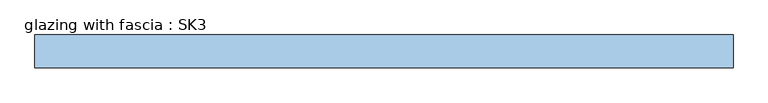
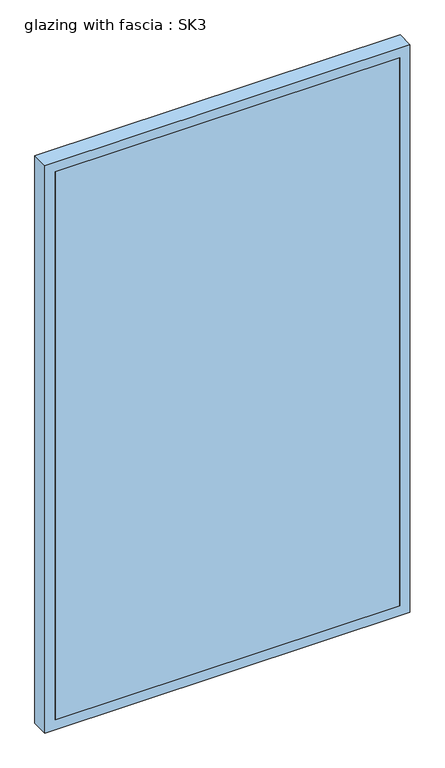
"""IFC4 building model written with IfcOpenShell, lengths in millimetres: window geometry, glazing with fascia : SK3."""

from ifc_helpers import new_model, si_unit, frame, origin, place, context, project, spatial, polyline, outline, extrude, source, transform, mapped, element, save


def glazing_with_fascia_sk3_5a7141e8(model_context):
    return source(origin(), model_context, "Body", "SweptSolid", [
        extrude(outline(polyline([(502.5, 0.1334055), (-502.5, 0.1334055), (-502.5, 8.1334055), (502.5, 8.1334055), (502.5, 0.1334055)])), frame((0.0, 0.0, 30.0), z_axis=(0.0, 0.0, 1.0), x_axis=(1.0, 0.0, 0.0)), (0.0, 0.0, 1.0), 1690.0),
        extrude(outline(polyline([(1750.0, -532.5), (0.0, -532.5), (0.0, 532.5), (1750.0, 532.5), (1750.0, -532.5)]), holes=[polyline([(1720.0, -502.5), (1720.0, 502.5), (30.0, 502.5), (30.0, -502.5), (1720.0, -502.5)])]), frame((0.0, 0.0, 0.0), z_axis=(0.0, 1.0, 0.0), x_axis=(0.0, 0.0, 1.0)), (0.0, 0.0, 1.0), 50.0),
        extrude(outline(polyline([(-502.5, 48.1334055), (502.5, 48.1334055), (502.5, 8.1334055), (-502.5, 8.1334055), (-502.5, 48.1334055)])), frame((0.0, 0.0, 1580.4), z_axis=(0.0, 0.0, 1.0), x_axis=(1.0, 0.0, 0.0)), (0.0, 0.0, 1.0), 30.0),
        extrude(outline(polyline([(-502.5, 48.1334055), (502.5, 48.1334055), (502.5, 8.1334055), (-502.5, 8.1334055), (-502.5, 48.1334055)])), frame((0.0, 0.0, 1490.4), z_axis=(0.0, 0.0, 1.0), x_axis=(1.0, 0.0, 0.0)), (0.0, 0.0, 1.0), 30.0),
        extrude(outline(polyline([(-502.5, 48.1334055), (502.5, 48.1334055), (502.5, 8.1334055), (-502.5, 8.1334055), (-502.5, 48.1334055)])), frame((0.0, 0.0, 1400.4), z_axis=(0.0, 0.0, 1.0), x_axis=(1.0, 0.0, 0.0)), (0.0, 0.0, 1.0), 30.0),
        extrude(outline(polyline([(-502.5, 48.1334055), (502.5, 48.1334055), (502.5, 8.1334055), (-502.5, 8.1334055), (-502.5, 48.1334055)])), frame((0.0, 0.0, 1310.4), z_axis=(0.0, 0.0, 1.0), x_axis=(1.0, 0.0, 0.0)), (0.0, 0.0, 1.0), 30.0),
        extrude(outline(polyline([(-502.5, 48.1334055), (502.5, 48.1334055), (502.5, 8.1334055), (-502.5, 8.1334055), (-502.5, 48.1334055)])), frame((0.0, 0.0, 1220.4), z_axis=(0.0, 0.0, 1.0), x_axis=(1.0, 0.0, 0.0)), (0.0, 0.0, 1.0), 30.0),
        extrude(outline(polyline([(-502.5, 48.1334055), (502.5, 48.1334055), (502.5, 8.1334055), (-502.5, 8.1334055), (-502.5, 48.1334055)])), frame((0.0, 0.0, 1130.4), z_axis=(0.0, 0.0, 1.0), x_axis=(1.0, 0.0, 0.0)), (0.0, 0.0, 1.0), 30.0),
        extrude(outline(polyline([(-502.5, 48.1334055), (502.5, 48.1334055), (502.5, 8.1334055), (-502.5, 8.1334055), (-502.5, 48.1334055)])), frame((0.0, 0.0, 1040.4), z_axis=(0.0, 0.0, 1.0), x_axis=(1.0, 0.0, 0.0)), (0.0, 0.0, 1.0), 30.0),
        extrude(outline(polyline([(-502.5, 48.1334055), (502.5, 48.1334055), (502.5, 8.1334055), (-502.5, 8.1334055), (-502.5, 48.1334055)])), frame((0.0, 0.0, 950.4), z_axis=(0.0, 0.0, 1.0), x_axis=(1.0, 0.0, 0.0)), (0.0, 0.0, 1.0), 30.0),
        extrude(outline(polyline([(-502.5, 48.1334055), (502.5, 48.1334055), (502.5, 8.1334055), (-502.5, 8.1334055), (-502.5, 48.1334055)])), frame((0.0, 0.0, 860.4), z_axis=(0.0, 0.0, 1.0), x_axis=(1.0, 0.0, 0.0)), (0.0, 0.0, 1.0), 30.0),
        extrude(outline(polyline([(-502.5, 48.1334055), (502.5, 48.1334055), (502.5, 8.1334055), (-502.5, 8.1334055), (-502.5, 48.1334055)])), frame((0.0, 0.0, 770.4), z_axis=(0.0, 0.0, 1.0), x_axis=(1.0, 0.0, 0.0)), (0.0, 0.0, 1.0), 30.0),
        extrude(outline(polyline([(-502.5, 48.1334055), (502.5, 48.1334055), (502.5, 8.1334055), (-502.5, 8.1334055), (-502.5, 48.1334055)])), frame((0.0, 0.0, 680.4), z_axis=(0.0, 0.0, 1.0), x_axis=(1.0, 0.0, 0.0)), (0.0, 0.0, 1.0), 30.0),
        extrude(outline(polyline([(-502.5, 48.1334055), (502.5, 48.1334055), (502.5, 8.1334055), (-502.5, 8.1334055), (-502.5, 48.1334055)])), frame((0.0, 0.0, 590.4), z_axis=(0.0, 0.0, 1.0), x_axis=(1.0, 0.0, 0.0)), (0.0, 0.0, 1.0), 30.0),
        extrude(outline(polyline([(-502.5, 48.1334055), (502.5, 48.1334055), (502.5, 8.1334055), (-502.5, 8.1334055), (-502.5, 48.1334055)])), frame((0.0, 0.0, 500.4), z_axis=(0.0, 0.0, 1.0), x_axis=(1.0, 0.0, 0.0)), (0.0, 0.0, 1.0), 30.0),
        extrude(outline(polyline([(-502.5, 48.1334055), (502.5, 48.1334055), (502.5, 8.1334055), (-502.5, 8.1334055), (-502.5, 48.1334055)])), frame((0.0, 0.0, 410.4), z_axis=(0.0, 0.0, 1.0), x_axis=(1.0, 0.0, 0.0)), (0.0, 0.0, 1.0), 30.0),
        extrude(outline(polyline([(-502.5, 48.1334055), (502.5, 48.1334055), (502.5, 8.1334055), (-502.5, 8.1334055), (-502.5, 48.1334055)])), frame((0.0, 0.0, 320.4), z_axis=(0.0, 0.0, 1.0), x_axis=(1.0, 0.0, 0.0)), (0.0, 0.0, 1.0), 30.0),
        extrude(outline(polyline([(-502.5, 48.1334055), (502.5, 48.1334055), (502.5, 8.1334055), (-502.5, 8.1334055), (-502.5, 48.1334055)])), frame((0.0, 0.0, 230.4), z_axis=(0.0, 0.0, 1.0), x_axis=(1.0, 0.0, 0.0)), (0.0, 0.0, 1.0), 30.0),
        extrude(outline(polyline([(-502.5, 48.1334055), (502.5, 48.1334055), (502.5, 8.1334055), (-502.5, 8.1334055), (-502.5, 48.1334055)])), frame((0.0, 0.0, 140.4), z_axis=(0.0, 0.0, 1.0), x_axis=(1.0, 0.0, 0.0)), (0.0, 0.0, 1.0), 30.0),
        extrude(outline(polyline([(-502.5, 48.1334055), (502.5, 48.1334055), (502.5, 8.1334055), (-502.5, 8.1334055), (-502.5, 48.1334055)])), frame((0.0, 0.0, 50.4), z_axis=(0.0, 0.0, 1.0), x_axis=(1.0, 0.0, 0.0)), (0.0, 0.0, 1.0), 30.0),
        extrude(outline(polyline([(-502.5, 48.1334055), (502.5, 48.1334055), (502.5, 8.1334055), (-502.5, 8.1334055), (-502.5, 48.1334055)])), frame((0.0, 0.0, 1670.0), z_axis=(0.0, 0.0, 1.0), x_axis=(1.0, 0.0, 0.0)), (0.0, 0.0, 1.0), 30.0),
    ])


if __name__ == "__main__":
    model = new_model("IFC4")
    model_context = context("Model", 3, world=origin())
    ifc_project = project(units=[si_unit("LENGTHUNIT", "METRE", prefix="MILLI")], contexts=[model_context])
    site = spatial("IfcSite", under=ifc_project)
    building = spatial("IfcBuilding", under=site)
    placement = place(None, origin())
    glazing_with_fascia_sk3_shape = glazing_with_fascia_sk3_5a7141e8(model_context)
    element("IfcWindow", 1, ObjectType="glazing with fascia : SK3", at=placement, inside=building, context=model_context, shape_type="MappedRepresentation", body=[
        mapped(glazing_with_fascia_sk3_shape, transform((0.0, 0.0, 0.0), x_axis=(1.0, 0.0, 0.0), y_axis=(0.0, 1.0, 0.0), z_axis=(0.0, 0.0, 1.0))),
    ])
    save(model, "model.ifc")
